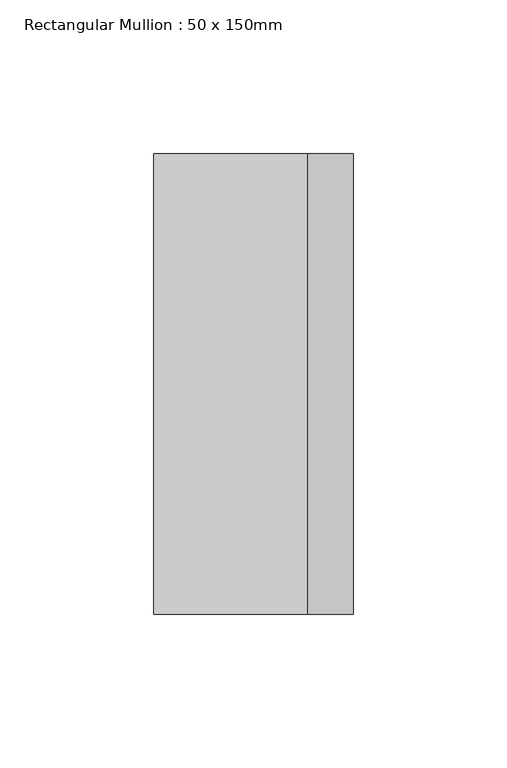
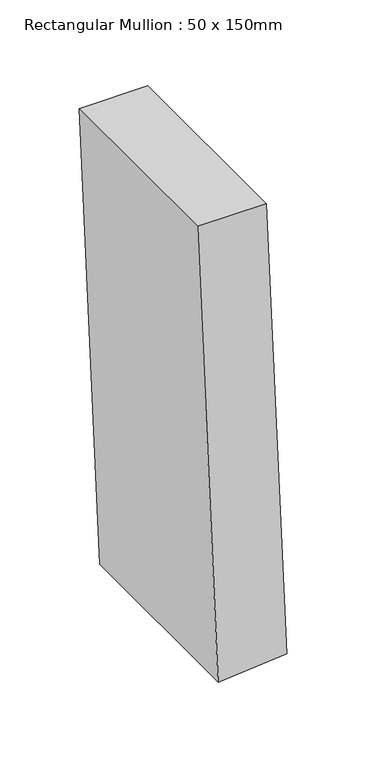
"""IFC4 building model written with IfcOpenShell, lengths in millimetres: member geometry, Rectangular Mullion : 50 x 150mm."""

from ifc_helpers import new_model, si_unit, point, frame, frame_2d, origin, place, context, project, spatial, polyline, circle_curve, trimmed, segment, composite_curve, outline, extrude, source, transform, mapped, element, save


def rectangular_mullion_50_x_150mm_00e3ec23(model_context):
    return source(origin(), model_context, "Body", "SweptSolid", [
        extrude(outline(composite_curve([segment(trimmed(circle_curve(frame_2d((0.0, 4163.3746925)), 4163.3746925), [point((-352.876235, 14.9813658))], [point((0.0, 0.0))], True, "CARTESIAN"), True, "CONTINUOUS"), segment(polyline([(0.0, 0.0), (0.0, -50.0)]), True, "CONTINUOUS"), segment(trimmed(circle_curve(frame_2d((0.0, 4163.3746925)), 4213.3746925), [point((0.0, -50.0))], [point((-357.114098, -34.8387157))], False, "CARTESIAN"), True, "CONTINUOUS"), segment(polyline([(-357.114098, -34.8387157), (-352.876235, 14.9813658)]), True, "CONTINUOUS")], self_intersect=False)), frame((0.0, -75.0, 0.0), z_axis=(0.0, 1.0, 0.0), x_axis=(0.0, 0.0, 1.0)), (0.0, 0.0, 1.0), 150.0),
    ])


if __name__ == "__main__":
    model = new_model("IFC4")
    model_context = context("Model", 3, world=origin())
    ifc_project = project(units=[si_unit("LENGTHUNIT", "METRE", prefix="MILLI")], contexts=[model_context])
    site = spatial("IfcSite", under=ifc_project)
    building = spatial("IfcBuilding", under=site)
    placement = place(None, origin())
    rectangular_mullion_50_x_150mm_shape = rectangular_mullion_50_x_150mm_00e3ec23(model_context)
    element("IfcMember", 1, ObjectType="Rectangular Mullion : 50 x 150mm", at=placement, inside=building, context=model_context, shape_type="MappedRepresentation", body=[
        mapped(rectangular_mullion_50_x_150mm_shape, transform((0.0, 0.0, 0.0), x_axis=(1.0, 0.0, 0.0), y_axis=(0.0, 1.0, 0.0), z_axis=(0.0, 0.0, 1.0))),
    ])
    save(model, "model.ifc")
